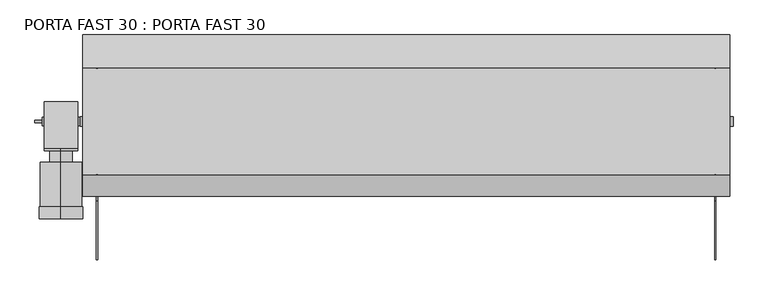
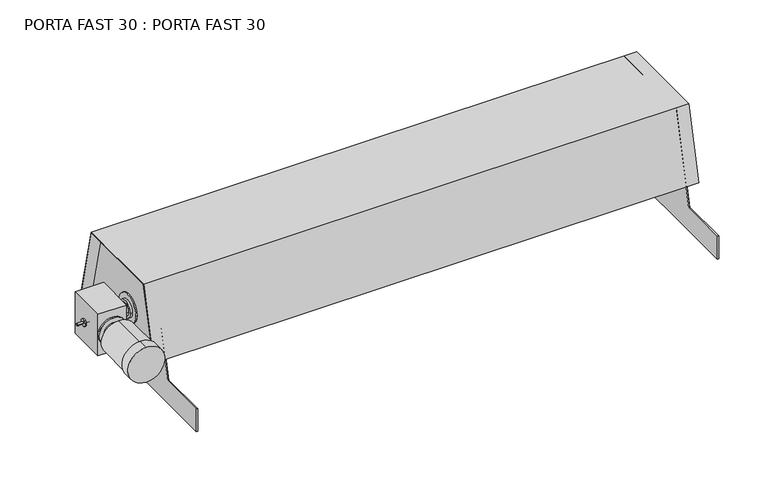
"""IFC4 building model written with IfcOpenShell, lengths in millimetres: proxy geometry, PORTA FAST 30 : PORTA FAST 30."""

import ifcopenshell
import ifcopenshell.guid

model = None  # the IFC model being written
_history = None  # IfcOwnerHistory: only IFC2X3 demands one
_inside = {}  # id of a spatial element -> (the spatial element, [elements in it])
_under = {}  # id of a project, library or spatial element -> (it, [spatial elements below it])
_declared = {}  # id of a project -> (the project, [libraries it declares])
_typed = {}  # id of a type object -> (the type object, [elements of that type])
_made_of = {}  # id of a material, layer set ... -> (it, [elements and type objects made of it])


def new_model(schema):
    """Start an empty IFC model of exactly this schema.

    Asked for "IFC4X3", IfcOpenShell would pick the latest addendum, in which some entities
    have other attributes; the version numbers below select the first issue.
    IFC2X3 requires an IfcOwnerHistory on every rooted entity: one is made here for all.
    """
    global model, _history
    if schema == "IFC4X3":
        model = ifcopenshell.file(schema_version=(4, 3, 0, 0))
    else:
        model = ifcopenshell.file(schema=schema)
    _inside.clear()
    _under.clear()
    _declared.clear()
    _typed.clear()
    _made_of.clear()
    _history = None
    if model.schema == "IFC2X3":
        org = make("IfcOrganization", Name="unknown")
        user = make(
            "IfcPersonAndOrganization",
            ThePerson=make("IfcPerson", FamilyName="unknown"),
            TheOrganization=org,
        )
        app = make(
            "IfcApplication",
            ApplicationDeveloper=org,
            Version="unknown",
            ApplicationFullName="unknown",
            ApplicationIdentifier="unknown",
        )
        _history = make(
            "IfcOwnerHistory",
            OwningUser=user,
            OwningApplication=app,
            ChangeAction="ADDED",
            CreationDate=0,
        )
    return model


def make(cls, **values):
    """One entity of the class cls with the attributes given. An attribute that is None is left unset."""
    return model.create_entity(
        cls, **{name: value for name, value in values.items() if value is not None}
    )


def rooted(cls, **values):
    """An entity with a GlobalId (a new one), such as an element, a storey or a relation."""
    return make(cls, GlobalId=ifcopenshell.guid.new(), OwnerHistory=_history, **values)


def si_unit(unit_type, name, prefix=None):
    """IfcSIUnit, for example si_unit("LENGTHUNIT", "METRE", prefix="MILLI")."""
    return make("IfcSIUnit", UnitType=unit_type, Prefix=prefix, Name=name)


def assignment(units):
    """IfcUnitAssignment: the units of a project."""
    return None if units is None else make("IfcUnitAssignment", Units=units)


def point(xyz):
    """IfcCartesianPoint."""
    return None if xyz is None else make("IfcCartesianPoint", Coordinates=xyz)


def direction(xyz):
    """IfcDirection."""
    return None if xyz is None else make("IfcDirection", DirectionRatios=xyz)


def frame(location, z_axis=None, x_axis=None):
    """IfcAxis2Placement3D, a coordinate frame: its origin and axes. An axis left out is left unset."""
    return make(
        "IfcAxis2Placement3D",
        Location=point(location),
        Axis=direction(z_axis),
        RefDirection=direction(x_axis),
    )


def frame_2d(location, x_axis=None):
    """IfcAxis2Placement2D, a coordinate frame in the plane: its origin and x axis."""
    return make(
        "IfcAxis2Placement2D", Location=point(location), RefDirection=direction(x_axis)
    )


def origin():
    """The frame at (0, 0, 0) with its axes left unset."""
    return frame((0.0, 0.0, 0.0))


def place(relative_to, where):
    """IfcLocalPlacement: puts the frame where relative to a parent placement (None: the world)."""
    return make(
        "IfcLocalPlacement", PlacementRelTo=relative_to, RelativePlacement=where
    )


def context(
    kind, dimensions, precision=None, world=None, true_north=None, identifier=None
):
    """IfcGeometricRepresentationContext, for example the 3D "Model" context."""
    return make(
        "IfcGeometricRepresentationContext",
        ContextIdentifier=identifier,
        ContextType=kind,
        CoordinateSpaceDimension=dimensions,
        Precision=precision,
        WorldCoordinateSystem=world,
        TrueNorth=true_north,
    )


def project(units=None, contexts=None):
    """IfcProject with its units and contexts."""
    return rooted(
        "IfcProject",
        Name="project",
        RepresentationContexts=contexts,
        UnitsInContext=assignment(units),
    )


def spatial(cls, under=None, at=None, **own):
    """A site, building, storey or space (cls), placed at a placement, below another one or the project."""
    s = rooted(cls, ObjectPlacement=at, **own)
    if under is not None:
        _under.setdefault(under.id(), (under, []))[1].append(s)
    return s


def polyline(points):
    """IfcPolyline through the points."""
    return make("IfcPolyline", Points=[point(p) for p in points])


def circle_curve(where, radius):
    """IfcCircle in the frame where."""
    return make("IfcCircle", Position=where, Radius=radius)


def trimmed(basis, trim1, trim2, sense, master):
    """IfcTrimmedCurve: the piece of a basis curve between two trims."""
    return make(
        "IfcTrimmedCurve",
        BasisCurve=basis,
        Trim1=trim1,
        Trim2=trim2,
        SenseAgreement=sense,
        MasterRepresentation=master,
    )


def segment(curve, same_sense, transition):
    """IfcCompositeCurveSegment."""
    return make(
        "IfcCompositeCurveSegment",
        Transition=transition,
        SameSense=same_sense,
        ParentCurve=curve,
    )


def composite_curve(segments, self_intersect=None):
    """IfcCompositeCurve: segments joined end to end."""
    return make("IfcCompositeCurve", Segments=segments, SelfIntersect=self_intersect)


def outline(outer, holes=None, kind="AREA"):
    """IfcArbitraryClosedProfileDef: a profile drawn as a closed curve; with holes, ...WithVoids."""
    if holes is None:
        return make("IfcArbitraryClosedProfileDef", ProfileType=kind, OuterCurve=outer)
    return make(
        "IfcArbitraryProfileDefWithVoids",
        ProfileType=kind,
        OuterCurve=outer,
        InnerCurves=holes,
    )


def extrude(swept, where, along, depth):
    """IfcExtrudedAreaSolid: the profile swept, set in the frame where, extruded along a direction by depth."""
    return make(
        "IfcExtrudedAreaSolid",
        SweptArea=swept,
        Position=where,
        ExtrudedDirection=direction(along),
        Depth=depth,
    )


def shape(context_of_items, identifier, shape_type, items):
    """IfcShapeRepresentation: the items that make up one representation, for example the "Body"."""
    return make(
        "IfcShapeRepresentation",
        ContextOfItems=context_of_items,
        RepresentationIdentifier=identifier,
        RepresentationType=shape_type,
        Items=items,
    )


def source(mapping_origin, context_of_items, identifier, shape_type, items):
    """IfcRepresentationMap: a shape defined once, which mapped items show again and again."""
    return make(
        "IfcRepresentationMap",
        MappingOrigin=mapping_origin,
        MappedRepresentation=shape(context_of_items, identifier, shape_type, items),
    )


def transform(
    local_origin,
    x_axis=None,
    y_axis=None,
    z_axis=None,
    scale=None,
    scale2=None,
    scale3=None,
    uniform=True,
):
    """IfcCartesianTransformationOperator3D, or its non-uniform kind. x_axis, y_axis, z_axis: its Axis1, 2, 3."""
    if uniform:
        return make(
            "IfcCartesianTransformationOperator3D",
            Axis1=direction(x_axis),
            Axis2=direction(y_axis),
            LocalOrigin=point(local_origin),
            Scale=scale,
            Axis3=direction(z_axis),
        )
    return make(
        "IfcCartesianTransformationOperator3DnonUniform",
        Axis1=direction(x_axis),
        Axis2=direction(y_axis),
        LocalOrigin=point(local_origin),
        Scale=scale,
        Axis3=direction(z_axis),
        Scale2=scale2,
        Scale3=scale3,
    )


def mapped(mapping_source, mapping_target):
    """IfcMappedItem: shows the shape of a source again, moved by a transform."""
    return make(
        "IfcMappedItem", MappingSource=mapping_source, MappingTarget=mapping_target
    )


def made_of(thing, what):
    """Note that an element or type object is made of a material, layer set ...; save() writes the relation."""
    if what is not None:
        _made_of.setdefault(what.id(), (what, []))[1].append(thing)
    return thing


def element(
    cls,
    number,
    at=None,
    inside=None,
    cuts=None,
    type_object=None,
    material=None,
    context=None,
    identifier="Body",
    shape_type=None,
    held_by="IfcProductDefinitionShape",
    body=None,
    shapes=None,
    **own,
):
    """One element of the class cls, such as IfcWall. Its Tag is "e" and its number.

    at: its placement. inside: the storey or other place that contains it. cuts: it is an
    opening in that element (IfcRelVoidsElement). A single representation is given by context,
    identifier, shape_type and body (its items); several are given by shapes. held_by: the class
    of the entity that holds the representations. save() writes the other relations.
    """
    e = rooted(cls, Tag="e%d" % number, ObjectPlacement=at, **own)
    if body is not None:
        shapes = [shape(context, identifier, shape_type, body)]
    if shapes is not None:
        e.Representation = make(held_by, Representations=shapes)
    if inside is not None:
        _inside.setdefault(inside.id(), (inside, []))[1].append(e)
    if cuts is not None:
        rooted(
            "IfcRelVoidsElement", RelatingBuildingElement=cuts, RelatedOpeningElement=e
        )
    if type_object is not None:
        _typed.setdefault(type_object.id(), (type_object, []))[1].append(e)
    return made_of(e, material)


def aggregate(whole, parts):
    """IfcRelAggregates: a whole, such as a stair, and the parts it consists of."""
    return rooted("IfcRelAggregates", RelatingObject=whole, RelatedObjects=parts)


def save(model, path):
    """Write the relations noted so far, then the file.

    IfcRelAggregates (storeys below a building ...), IfcRelContainedInSpatialStructure (elements
    in a storey), IfcRelDefinesByType, IfcRelAssociatesMaterial and IfcRelDeclares: one each for
    every whole, place, type object, material and project.
    """
    for whole, parts in _under.values():
        aggregate(whole, parts)
    for where, things in _inside.values():
        rooted(
            "IfcRelContainedInSpatialStructure",
            RelatedElements=things,
            RelatingStructure=where,
        )
    for kind, things in _typed.values():
        rooted("IfcRelDefinesByType", RelatedObjects=things, RelatingType=kind)
    for what, things in _made_of.values():
        rooted("IfcRelAssociatesMaterial", RelatedObjects=things, RelatingMaterial=what)
    for by, libraries in _declared.values():
        rooted("IfcRelDeclares", RelatingContext=by, RelatedDefinitions=libraries)
    model.write(path)


def porta_fast_30_porta_fast_30_c65900e7(model_context):
    return source(origin(), model_context, "Body", "SweptSolid", [
        extrude(outline(composite_curve([segment(trimmed(circle_curve(frame_2d((255.2590182, -1228.1003124)), 78.0), [point((177.2590182, -1228.1003124))], [point((333.2590182, -1228.1003124))], False, "CARTESIAN"), True, "CONTINUOUS"), segment(trimmed(circle_curve(frame_2d((255.2590182, -1228.1003124)), 78.0), [point((333.2590182, -1228.1003124))], [point((177.2590182, -1228.1003124))], False, "CARTESIAN"), True, "CONTINUOUS")], self_intersect=False)), frame((0.0, 2145.9936835, 0.0), z_axis=(0.0, 1.0, 0.0), x_axis=(0.0, 0.0, 1.0)), (0.0, 0.0, 1.0), 43.0),
        extrude(outline(composite_curve([segment(trimmed(circle_curve(frame_2d((255.2590182, -1228.1003124)), 73.996886), [point((181.2621322, -1228.1003124))], [point((329.2559041, -1228.1003124))], False, "CARTESIAN"), True, "CONTINUOUS"), segment(trimmed(circle_curve(frame_2d((255.2590182, -1228.1003124)), 73.996886), [point((329.2559041, -1228.1003124))], [point((181.2621322, -1228.1003124))], False, "CARTESIAN"), True, "CONTINUOUS")], self_intersect=False)), frame((0.0, 2188.9936835, 0.0), z_axis=(0.0, 1.0, 0.0), x_axis=(0.0, 0.0, 1.0)), (0.0, 0.0, 1.0), 158.5),
        extrude(outline(composite_curve([segment(trimmed(circle_curve(frame_2d((255.2590182, -1228.1003124)), 40.0), [point((215.2590182, -1228.1003124))], [point((295.2590182, -1228.1003124))], False, "CARTESIAN"), True, "CONTINUOUS"), segment(trimmed(circle_curve(frame_2d((255.2590182, -1228.1003124)), 40.0), [point((295.2590182, -1228.1003124))], [point((215.2590182, -1228.1003124))], False, "CARTESIAN"), True, "CONTINUOUS")], self_intersect=False)), frame((0.0, 2347.4936835, 0.0), z_axis=(0.0, 1.0, 0.0), x_axis=(0.0, 0.0, 1.0)), (0.0, 0.0, 1.0), 49.0),
        extrude(outline(composite_curve([segment(trimmed(circle_curve(frame_2d((255.2590182, -1228.1003124)), 60.0), [point((195.2590182, -1228.1003124))], [point((315.2590182, -1228.1003124))], False, "CARTESIAN"), True, "CONTINUOUS"), segment(trimmed(circle_curve(frame_2d((255.2590182, -1228.1003124)), 60.0), [point((315.2590182, -1228.1003124))], [point((195.2590182, -1228.1003124))], False, "CARTESIAN"), True, "CONTINUOUS")], self_intersect=False)), frame((0.0, 2388.4936835, 0.0), z_axis=(0.0, 1.0, 0.0), x_axis=(0.0, 0.0, 1.0)), (0.0, 0.0, 1.0), 8.0),
        extrude(outline(polyline([(-1288.1003124, 2396.4936835), (-1288.1003124, 2562.4936835), (-1168.1003124, 2562.4936835), (-1168.1003124, 2396.4936835), (-1288.1003124, 2396.4936835)])), frame((0.0, 0.0, 162.7590182), z_axis=(0.0, 0.0, 1.0), x_axis=(1.0, 0.0, 0.0)), (0.0, 0.0, 1.0), 185.0),
        extrude(outline(composite_curve([segment(trimmed(circle_curve(frame_2d((2492.4936835, 255.2590182)), 61.0), [point((2553.4936835, 255.2590182))], [point((2431.4936835, 255.2590182))], False, "CARTESIAN"), True, "CONTINUOUS"), segment(trimmed(circle_curve(frame_2d((2492.4936835, 255.2590182)), 61.0), [point((2431.4936835, 255.2590182))], [point((2553.4936835, 255.2590182))], False, "CARTESIAN"), True, "CONTINUOUS")], self_intersect=False)), frame((-1107.1838291, 0.0, 0.0), z_axis=(1.0, 0.0, 0.0), x_axis=(0.0, 1.0, 0.0)), (0.0, 0.0, 1.0), 2214.4263231),
        extrude(outline(composite_curve([segment(trimmed(circle_curve(frame_2d((2492.4936835, 255.2590182)), 37.5275591), [point((2530.0212427, 255.2590182))], [point((2454.9661244, 255.2590182))], False, "CARTESIAN"), True, "CONTINUOUS"), segment(trimmed(circle_curve(frame_2d((2492.4936835, 255.2590182)), 37.5275591), [point((2454.9661244, 255.2590182))], [point((2530.0212427, 255.2590182))], False, "CARTESIAN"), True, "CONTINUOUS")], self_intersect=False)), frame((-1118.1625, 0.0, 0.0), z_axis=(1.0, 0.0, 0.0), x_axis=(0.0, 1.0, 0.0)), (0.0, 0.0, 1.0), 2236.3625),
        extrude(outline(composite_curve([segment(trimmed(circle_curve(frame_2d((2492.4936835, 255.2590182)), 27.9500538), [point((2520.4437374, 255.2590182))], [point((2464.5436297, 255.2590182))], False, "CARTESIAN"), True, "CONTINUOUS"), segment(trimmed(circle_curve(frame_2d((2492.4936835, 255.2590182)), 27.9500538), [point((2464.5436297, 255.2590182))], [point((2520.4437374, 255.2590182))], False, "CARTESIAN"), True, "CONTINUOUS")], self_intersect=False)), frame((-1134.6125, 0.0, 0.0), z_axis=(1.0, 0.0, 0.0), x_axis=(0.0, 1.0, 0.0)), (0.0, 0.0, 1.0), 2269.225),
        extrude(outline(composite_curve([segment(trimmed(circle_curve(frame_2d((2492.4936835, 255.2590182)), 17.4736463), [point((2509.9673299, 255.2590182))], [point((2475.0200372, 255.2590182))], False, "CARTESIAN"), True, "CONTINUOUS"), segment(trimmed(circle_curve(frame_2d((2492.4936835, 255.2590182)), 17.4736463), [point((2475.0200372, 255.2590182))], [point((2509.9673299, 255.2590182))], False, "CARTESIAN"), True, "CONTINUOUS")], self_intersect=False)), frame((-1159.5, 0.0, 0.0), z_axis=(1.0, 0.0, 0.0), x_axis=(0.0, 1.0, 0.0)), (0.0, 0.0, 1.0), 2322.0),
        extrude(outline(composite_curve([segment(trimmed(circle_curve(frame_2d((2492.4936835, 255.2590182)), 15.0), [point((2507.4936835, 255.2590182))], [point((2477.4936835, 255.2590182))], False, "CARTESIAN"), True, "CONTINUOUS"), segment(trimmed(circle_curve(frame_2d((2492.4936835, 255.2590182)), 15.0), [point((2477.4936835, 255.2590182))], [point((2507.4936835, 255.2590182))], False, "CARTESIAN"), True, "CONTINUOUS")], self_intersect=False)), frame((-1294.5, 0.0, 0.0), z_axis=(1.0, 0.0, 0.0), x_axis=(0.0, 1.0, 0.0)), (0.0, 0.0, 1.0), 192.9),
        extrude(outline(composite_curve([segment(trimmed(circle_curve(frame_2d((2492.4936835, 255.2590182)), 4.5), [point((2496.9936835, 255.2590182))], [point((2487.9936835, 255.2590182))], False, "CARTESIAN"), True, "CONTINUOUS"), segment(trimmed(circle_curve(frame_2d((2492.4936835, 255.2590182)), 4.5), [point((2487.9936835, 255.2590182))], [point((2496.9936835, 255.2590182))], False, "CARTESIAN"), True, "CONTINUOUS")], self_intersect=False)), frame((-1320.5, 0.0, 0.0), z_axis=(1.0, 0.0, 0.0), x_axis=(0.0, 1.0, 0.0)), (0.0, 0.0, 1.0), 218.9),
        extrude(outline(polyline([(2302.4657534, 490.0), (2682.5342466, 490.0), (2798.8583048, 4.7625), (2798.8583048, 0.0), (2000.0, 0.0), (2000.0, 101.6), (2209.3561644, 101.6), (2302.4657534, 490.0)])), frame((1096.6, 0.0, 0.0), z_axis=(1.0, 0.0, 0.0), x_axis=(0.0, 1.0, 0.0)), (0.0, 0.0, 1.0), 5.0),
        extrude(outline(polyline([(2302.4657534, 490.0), (2682.5342466, 490.0), (2798.8583048, 4.7625), (2798.8583048, 0.0), (2000.0, 0.0), (2000.0, 101.6), (2209.3561644, 101.6), (2302.4657534, 490.0)])), frame((-1101.6, 0.0, 0.0), z_axis=(1.0, 0.0, 0.0), x_axis=(0.0, 1.0, 0.0)), (0.0, 0.0, 1.0), 5.0),
        extrude(outline(polyline([(2301.2828431, 491.5), (2683.7171569, 491.5), (2800.4008042, 4.7625), (2798.8583048, 4.7625), (2682.5342466, 490.0), (2302.4657534, 490.0), (2229.0042037, 183.5603925), (2227.5455321, 183.9100741), (2301.2828431, 491.5)])), frame((-1150.0, 0.0, 0.0), z_axis=(1.0, 0.0, 0.0), x_axis=(0.0, 1.0, 0.0)), (0.0, 0.0, 1.0), 2300.0),
    ])


if __name__ == "__main__":
    model = new_model("IFC4")
    model_context = context("Model", 3, world=origin())
    ifc_project = project(units=[si_unit("LENGTHUNIT", "METRE", prefix="MILLI")], contexts=[model_context])
    site = spatial("IfcSite", under=ifc_project)
    building = spatial("IfcBuilding", under=site)
    placement = place(None, origin())
    porta_fast_30_porta_fast_30_shape = porta_fast_30_porta_fast_30_c65900e7(model_context)
    element("IfcBuildingElementProxy", 1, Name="PORTA FAST 30 : PORTA FAST 30", ObjectType="PORTA FAST 30 : PORTA FAST 30", at=placement, inside=building, context=model_context, shape_type="MappedRepresentation", body=[
        mapped(porta_fast_30_porta_fast_30_shape, transform((0.0, 0.0, 0.0), x_axis=(1.0, 0.0, 0.0), y_axis=(0.0, 1.0, 0.0), z_axis=(0.0, 0.0, 1.0))),
    ])
    save(model, "model.ifc")
